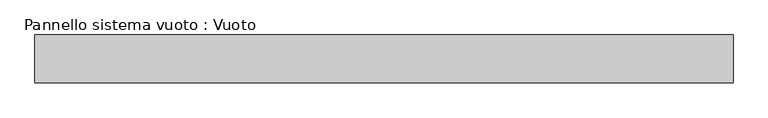
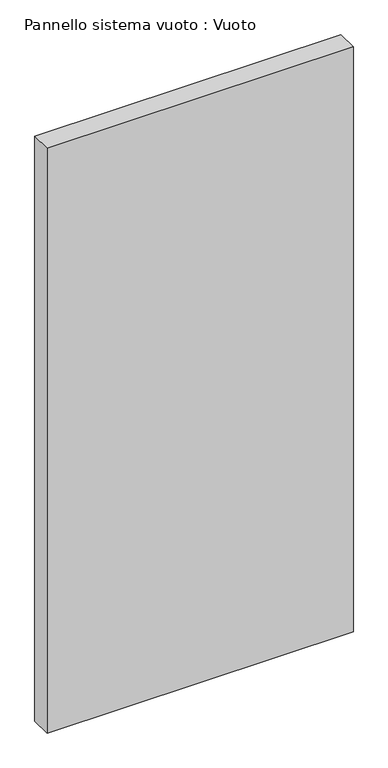
"""IFC4 building model written with IfcOpenShell, lengths in millimetres: plate geometry, Pannello sistema vuoto : Vuoto."""

from ifc_helpers import new_model, si_unit, origin, origin_with_axes, place, context, project, spatial, polyline, outline, extrude, source, transform, mapped, element, save


def pannello_sistema_vuoto_vuoto_81377fec(model_context):
    return source(origin(), model_context, "Body", "SweptSolid", [
        extrude(outline(polyline([(730.0, 50.0), (-730.0, 50.0), (-730.0, 150.0), (730.0, 150.0), (730.0, 50.0)])), origin_with_axes(), (0.0, 0.0, 1.0), 2943.6046213),
    ])


if __name__ == "__main__":
    model = new_model("IFC4")
    model_context = context("Model", 3, world=origin())
    ifc_project = project(units=[si_unit("LENGTHUNIT", "METRE", prefix="MILLI")], contexts=[model_context])
    site = spatial("IfcSite", under=ifc_project)
    building = spatial("IfcBuilding", under=site)
    placement = place(None, origin())
    pannello_sistema_vuoto_vuoto_shape = pannello_sistema_vuoto_vuoto_81377fec(model_context)
    element("IfcPlate", 1, ObjectType="Pannello sistema vuoto : Vuoto", at=placement, inside=building, context=model_context, shape_type="MappedRepresentation", body=[
        mapped(pannello_sistema_vuoto_vuoto_shape, transform((0.0, 0.0, 0.0), x_axis=(1.0, 0.0, 0.0), y_axis=(0.0, 1.0, 0.0), z_axis=(0.0, 0.0, 1.0))),
    ])
    save(model, "model.ifc")
